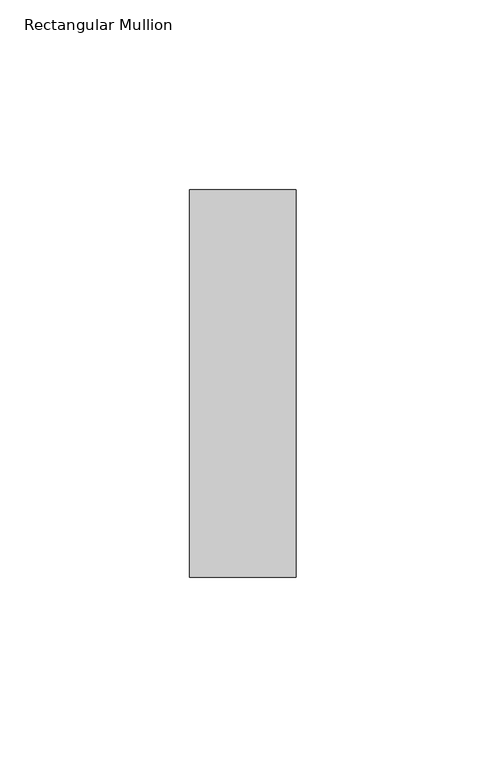
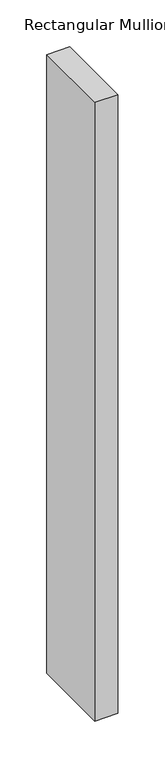
"""IFC4 building model written with IfcOpenShell, lengths in millimetres: member geometry, Rectangular Mullion."""

import ifcopenshell
import ifcopenshell.guid

model = None  # the IFC model being written
_history = None  # IfcOwnerHistory: only IFC2X3 demands one
_inside = {}  # id of a spatial element -> (the spatial element, [elements in it])
_under = {}  # id of a project, library or spatial element -> (it, [spatial elements below it])
_declared = {}  # id of a project -> (the project, [libraries it declares])
_typed = {}  # id of a type object -> (the type object, [elements of that type])
_made_of = {}  # id of a material, layer set ... -> (it, [elements and type objects made of it])


def new_model(schema):
    """Start an empty IFC model of exactly this schema.

    Asked for "IFC4X3", IfcOpenShell would pick the latest addendum, in which some entities
    have other attributes; the version numbers below select the first issue.
    IFC2X3 requires an IfcOwnerHistory on every rooted entity: one is made here for all.
    """
    global model, _history
    if schema == "IFC4X3":
        model = ifcopenshell.file(schema_version=(4, 3, 0, 0))
    else:
        model = ifcopenshell.file(schema=schema)
    _inside.clear()
    _under.clear()
    _declared.clear()
    _typed.clear()
    _made_of.clear()
    _history = None
    if model.schema == "IFC2X3":
        org = make("IfcOrganization", Name="unknown")
        user = make(
            "IfcPersonAndOrganization",
            ThePerson=make("IfcPerson", FamilyName="unknown"),
            TheOrganization=org,
        )
        app = make(
            "IfcApplication",
            ApplicationDeveloper=org,
            Version="unknown",
            ApplicationFullName="unknown",
            ApplicationIdentifier="unknown",
        )
        _history = make(
            "IfcOwnerHistory",
            OwningUser=user,
            OwningApplication=app,
            ChangeAction="ADDED",
            CreationDate=0,
        )
    return model


def make(cls, **values):
    """One entity of the class cls with the attributes given. An attribute that is None is left unset."""
    return model.create_entity(
        cls, **{name: value for name, value in values.items() if value is not None}
    )


def rooted(cls, **values):
    """An entity with a GlobalId (a new one), such as an element, a storey or a relation."""
    return make(cls, GlobalId=ifcopenshell.guid.new(), OwnerHistory=_history, **values)


def si_unit(unit_type, name, prefix=None):
    """IfcSIUnit, for example si_unit("LENGTHUNIT", "METRE", prefix="MILLI")."""
    return make("IfcSIUnit", UnitType=unit_type, Prefix=prefix, Name=name)


def assignment(units):
    """IfcUnitAssignment: the units of a project."""
    return None if units is None else make("IfcUnitAssignment", Units=units)


def point(xyz):
    """IfcCartesianPoint."""
    return None if xyz is None else make("IfcCartesianPoint", Coordinates=xyz)


def direction(xyz):
    """IfcDirection."""
    return None if xyz is None else make("IfcDirection", DirectionRatios=xyz)


def frame(location, z_axis=None, x_axis=None):
    """IfcAxis2Placement3D, a coordinate frame: its origin and axes. An axis left out is left unset."""
    return make(
        "IfcAxis2Placement3D",
        Location=point(location),
        Axis=direction(z_axis),
        RefDirection=direction(x_axis),
    )


def origin():
    """The frame at (0, 0, 0) with its axes left unset."""
    return frame((0.0, 0.0, 0.0))


def place(relative_to, where):
    """IfcLocalPlacement: puts the frame where relative to a parent placement (None: the world)."""
    return make(
        "IfcLocalPlacement", PlacementRelTo=relative_to, RelativePlacement=where
    )


def context(
    kind, dimensions, precision=None, world=None, true_north=None, identifier=None
):
    """IfcGeometricRepresentationContext, for example the 3D "Model" context."""
    return make(
        "IfcGeometricRepresentationContext",
        ContextIdentifier=identifier,
        ContextType=kind,
        CoordinateSpaceDimension=dimensions,
        Precision=precision,
        WorldCoordinateSystem=world,
        TrueNorth=true_north,
    )


def project(units=None, contexts=None):
    """IfcProject with its units and contexts."""
    return rooted(
        "IfcProject",
        Name="project",
        RepresentationContexts=contexts,
        UnitsInContext=assignment(units),
    )


def spatial(cls, under=None, at=None, **own):
    """A site, building, storey or space (cls), placed at a placement, below another one or the project."""
    s = rooted(cls, ObjectPlacement=at, **own)
    if under is not None:
        _under.setdefault(under.id(), (under, []))[1].append(s)
    return s


def polyline(points):
    """IfcPolyline through the points."""
    return make("IfcPolyline", Points=[point(p) for p in points])


def outline(outer, holes=None, kind="AREA"):
    """IfcArbitraryClosedProfileDef: a profile drawn as a closed curve; with holes, ...WithVoids."""
    if holes is None:
        return make("IfcArbitraryClosedProfileDef", ProfileType=kind, OuterCurve=outer)
    return make(
        "IfcArbitraryProfileDefWithVoids",
        ProfileType=kind,
        OuterCurve=outer,
        InnerCurves=holes,
    )


def extrude(swept, where, along, depth):
    """IfcExtrudedAreaSolid: the profile swept, set in the frame where, extruded along a direction by depth."""
    return make(
        "IfcExtrudedAreaSolid",
        SweptArea=swept,
        Position=where,
        ExtrudedDirection=direction(along),
        Depth=depth,
    )


def shape(context_of_items, identifier, shape_type, items):
    """IfcShapeRepresentation: the items that make up one representation, for example the "Body"."""
    return make(
        "IfcShapeRepresentation",
        ContextOfItems=context_of_items,
        RepresentationIdentifier=identifier,
        RepresentationType=shape_type,
        Items=items,
    )


def source(mapping_origin, context_of_items, identifier, shape_type, items):
    """IfcRepresentationMap: a shape defined once, which mapped items show again and again."""
    return make(
        "IfcRepresentationMap",
        MappingOrigin=mapping_origin,
        MappedRepresentation=shape(context_of_items, identifier, shape_type, items),
    )


def transform(
    local_origin,
    x_axis=None,
    y_axis=None,
    z_axis=None,
    scale=None,
    scale2=None,
    scale3=None,
    uniform=True,
):
    """IfcCartesianTransformationOperator3D, or its non-uniform kind. x_axis, y_axis, z_axis: its Axis1, 2, 3."""
    if uniform:
        return make(
            "IfcCartesianTransformationOperator3D",
            Axis1=direction(x_axis),
            Axis2=direction(y_axis),
            LocalOrigin=point(local_origin),
            Scale=scale,
            Axis3=direction(z_axis),
        )
    return make(
        "IfcCartesianTransformationOperator3DnonUniform",
        Axis1=direction(x_axis),
        Axis2=direction(y_axis),
        LocalOrigin=point(local_origin),
        Scale=scale,
        Axis3=direction(z_axis),
        Scale2=scale2,
        Scale3=scale3,
    )


def mapped(mapping_source, mapping_target):
    """IfcMappedItem: shows the shape of a source again, moved by a transform."""
    return make(
        "IfcMappedItem", MappingSource=mapping_source, MappingTarget=mapping_target
    )


def made_of(thing, what):
    """Note that an element or type object is made of a material, layer set ...; save() writes the relation."""
    if what is not None:
        _made_of.setdefault(what.id(), (what, []))[1].append(thing)
    return thing


def element(
    cls,
    number,
    at=None,
    inside=None,
    cuts=None,
    type_object=None,
    material=None,
    context=None,
    identifier="Body",
    shape_type=None,
    held_by="IfcProductDefinitionShape",
    body=None,
    shapes=None,
    **own,
):
    """One element of the class cls, such as IfcWall. Its Tag is "e" and its number.

    at: its placement. inside: the storey or other place that contains it. cuts: it is an
    opening in that element (IfcRelVoidsElement). A single representation is given by context,
    identifier, shape_type and body (its items); several are given by shapes. held_by: the class
    of the entity that holds the representations. save() writes the other relations.
    """
    e = rooted(cls, Tag="e%d" % number, ObjectPlacement=at, **own)
    if body is not None:
        shapes = [shape(context, identifier, shape_type, body)]
    if shapes is not None:
        e.Representation = make(held_by, Representations=shapes)
    if inside is not None:
        _inside.setdefault(inside.id(), (inside, []))[1].append(e)
    if cuts is not None:
        rooted(
            "IfcRelVoidsElement", RelatingBuildingElement=cuts, RelatedOpeningElement=e
        )
    if type_object is not None:
        _typed.setdefault(type_object.id(), (type_object, []))[1].append(e)
    return made_of(e, material)


def aggregate(whole, parts):
    """IfcRelAggregates: a whole, such as a stair, and the parts it consists of."""
    return rooted("IfcRelAggregates", RelatingObject=whole, RelatedObjects=parts)


def save(model, path):
    """Write the relations noted so far, then the file.

    IfcRelAggregates (storeys below a building ...), IfcRelContainedInSpatialStructure (elements
    in a storey), IfcRelDefinesByType, IfcRelAssociatesMaterial and IfcRelDeclares: one each for
    every whole, place, type object, material and project.
    """
    for whole, parts in _under.values():
        aggregate(whole, parts)
    for where, things in _inside.values():
        rooted(
            "IfcRelContainedInSpatialStructure",
            RelatedElements=things,
            RelatingStructure=where,
        )
    for kind, things in _typed.values():
        rooted("IfcRelDefinesByType", RelatedObjects=things, RelatingType=kind)
    for what, things in _made_of.values():
        rooted("IfcRelAssociatesMaterial", RelatedObjects=things, RelatingMaterial=what)
    for by, libraries in _declared.values():
        rooted("IfcRelDeclares", RelatingContext=by, RelatedDefinitions=libraries)
    model.write(path)


def rectangular_mullion_d4a954d4(model_context):
    return source(origin(), model_context, "Body", "SweptSolid", [
        extrude(outline(polyline([(0.0, -51.0), (-28.0, -51.0), (-28.0, 51.0), (0.0, 51.0), (0.0, -51.0)])), frame((0.0, 0.0, -804.0), z_axis=(0.0, 0.0, 1.0), x_axis=(1.0, 0.0, 0.0)), (0.0, 0.0, 1.0), 804.0),
    ])


if __name__ == "__main__":
    model = new_model("IFC4")
    model_context = context("Model", 3, world=origin())
    ifc_project = project(units=[si_unit("LENGTHUNIT", "METRE", prefix="MILLI")], contexts=[model_context])
    site = spatial("IfcSite", under=ifc_project)
    building = spatial("IfcBuilding", under=site)
    placement = place(None, origin())
    rectangular_mullion_shape = rectangular_mullion_d4a954d4(model_context)
    element("IfcMember", 1, ObjectType="Rectangular Mullion", at=placement, inside=building, context=model_context, shape_type="MappedRepresentation", body=[
        mapped(rectangular_mullion_shape, transform((0.0, 0.0, 0.0), x_axis=(1.0, 0.0, 0.0), y_axis=(0.0, 1.0, 0.0), z_axis=(0.0, 0.0, 1.0))),
    ])
    save(model, "model.ifc")
